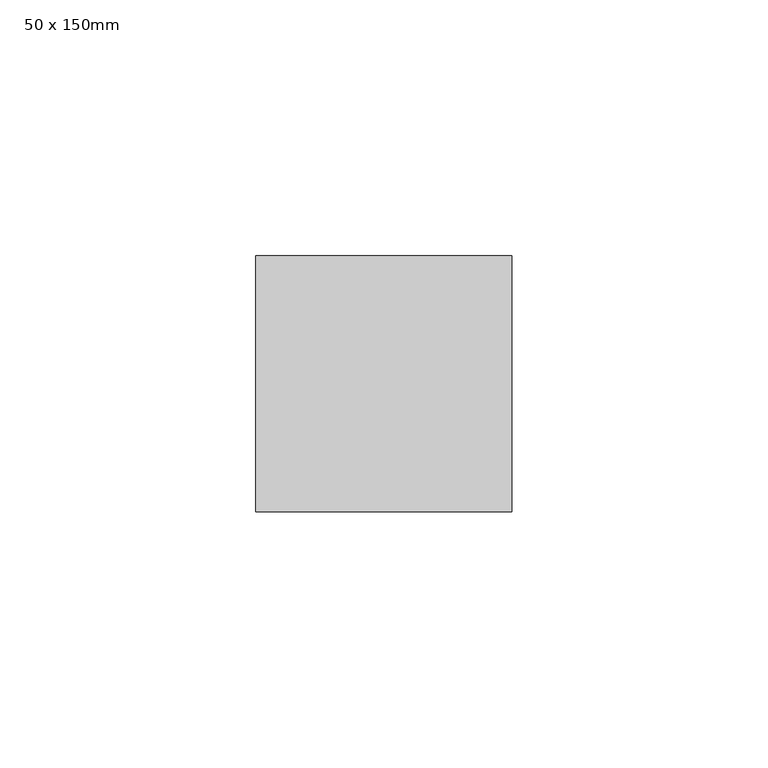
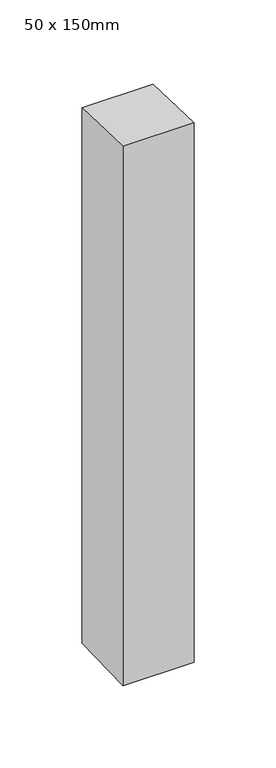
"""IFC4 building model written with IfcOpenShell, lengths in millimetres: member geometry, 50 x 150mm."""

import ifcopenshell
import ifcopenshell.guid

model = None  # the IFC model being written
_history = None  # IfcOwnerHistory: only IFC2X3 demands one
_inside = {}  # id of a spatial element -> (the spatial element, [elements in it])
_under = {}  # id of a project, library or spatial element -> (it, [spatial elements below it])
_declared = {}  # id of a project -> (the project, [libraries it declares])
_typed = {}  # id of a type object -> (the type object, [elements of that type])
_made_of = {}  # id of a material, layer set ... -> (it, [elements and type objects made of it])


def new_model(schema):
    """Start an empty IFC model of exactly this schema.

    Asked for "IFC4X3", IfcOpenShell would pick the latest addendum, in which some entities
    have other attributes; the version numbers below select the first issue.
    IFC2X3 requires an IfcOwnerHistory on every rooted entity: one is made here for all.
    """
    global model, _history
    if schema == "IFC4X3":
        model = ifcopenshell.file(schema_version=(4, 3, 0, 0))
    else:
        model = ifcopenshell.file(schema=schema)
    _inside.clear()
    _under.clear()
    _declared.clear()
    _typed.clear()
    _made_of.clear()
    _history = None
    if model.schema == "IFC2X3":
        org = make("IfcOrganization", Name="unknown")
        user = make(
            "IfcPersonAndOrganization",
            ThePerson=make("IfcPerson", FamilyName="unknown"),
            TheOrganization=org,
        )
        app = make(
            "IfcApplication",
            ApplicationDeveloper=org,
            Version="unknown",
            ApplicationFullName="unknown",
            ApplicationIdentifier="unknown",
        )
        _history = make(
            "IfcOwnerHistory",
            OwningUser=user,
            OwningApplication=app,
            ChangeAction="ADDED",
            CreationDate=0,
        )
    return model


def make(cls, **values):
    """One entity of the class cls with the attributes given. An attribute that is None is left unset."""
    return model.create_entity(
        cls, **{name: value for name, value in values.items() if value is not None}
    )


def rooted(cls, **values):
    """An entity with a GlobalId (a new one), such as an element, a storey or a relation."""
    return make(cls, GlobalId=ifcopenshell.guid.new(), OwnerHistory=_history, **values)


def si_unit(unit_type, name, prefix=None):
    """IfcSIUnit, for example si_unit("LENGTHUNIT", "METRE", prefix="MILLI")."""
    return make("IfcSIUnit", UnitType=unit_type, Prefix=prefix, Name=name)


def assignment(units):
    """IfcUnitAssignment: the units of a project."""
    return None if units is None else make("IfcUnitAssignment", Units=units)


def point(xyz):
    """IfcCartesianPoint."""
    return None if xyz is None else make("IfcCartesianPoint", Coordinates=xyz)


def direction(xyz):
    """IfcDirection."""
    return None if xyz is None else make("IfcDirection", DirectionRatios=xyz)


def frame(location, z_axis=None, x_axis=None):
    """IfcAxis2Placement3D, a coordinate frame: its origin and axes. An axis left out is left unset."""
    return make(
        "IfcAxis2Placement3D",
        Location=point(location),
        Axis=direction(z_axis),
        RefDirection=direction(x_axis),
    )


def origin():
    """The frame at (0, 0, 0) with its axes left unset."""
    return frame((0.0, 0.0, 0.0))


def place(relative_to, where):
    """IfcLocalPlacement: puts the frame where relative to a parent placement (None: the world)."""
    return make(
        "IfcLocalPlacement", PlacementRelTo=relative_to, RelativePlacement=where
    )


def context(
    kind, dimensions, precision=None, world=None, true_north=None, identifier=None
):
    """IfcGeometricRepresentationContext, for example the 3D "Model" context."""
    return make(
        "IfcGeometricRepresentationContext",
        ContextIdentifier=identifier,
        ContextType=kind,
        CoordinateSpaceDimension=dimensions,
        Precision=precision,
        WorldCoordinateSystem=world,
        TrueNorth=true_north,
    )


def project(units=None, contexts=None):
    """IfcProject with its units and contexts."""
    return rooted(
        "IfcProject",
        Name="project",
        RepresentationContexts=contexts,
        UnitsInContext=assignment(units),
    )


def spatial(cls, under=None, at=None, **own):
    """A site, building, storey or space (cls), placed at a placement, below another one or the project."""
    s = rooted(cls, ObjectPlacement=at, **own)
    if under is not None:
        _under.setdefault(under.id(), (under, []))[1].append(s)
    return s


def polyline(points):
    """IfcPolyline through the points."""
    return make("IfcPolyline", Points=[point(p) for p in points])


def outline(outer, holes=None, kind="AREA"):
    """IfcArbitraryClosedProfileDef: a profile drawn as a closed curve; with holes, ...WithVoids."""
    if holes is None:
        return make("IfcArbitraryClosedProfileDef", ProfileType=kind, OuterCurve=outer)
    return make(
        "IfcArbitraryProfileDefWithVoids",
        ProfileType=kind,
        OuterCurve=outer,
        InnerCurves=holes,
    )


def extrude(swept, where, along, depth):
    """IfcExtrudedAreaSolid: the profile swept, set in the frame where, extruded along a direction by depth."""
    return make(
        "IfcExtrudedAreaSolid",
        SweptArea=swept,
        Position=where,
        ExtrudedDirection=direction(along),
        Depth=depth,
    )


def shape(context_of_items, identifier, shape_type, items):
    """IfcShapeRepresentation: the items that make up one representation, for example the "Body"."""
    return make(
        "IfcShapeRepresentation",
        ContextOfItems=context_of_items,
        RepresentationIdentifier=identifier,
        RepresentationType=shape_type,
        Items=items,
    )


def source(mapping_origin, context_of_items, identifier, shape_type, items):
    """IfcRepresentationMap: a shape defined once, which mapped items show again and again."""
    return make(
        "IfcRepresentationMap",
        MappingOrigin=mapping_origin,
        MappedRepresentation=shape(context_of_items, identifier, shape_type, items),
    )


def transform(
    local_origin,
    x_axis=None,
    y_axis=None,
    z_axis=None,
    scale=None,
    scale2=None,
    scale3=None,
    uniform=True,
):
    """IfcCartesianTransformationOperator3D, or its non-uniform kind. x_axis, y_axis, z_axis: its Axis1, 2, 3."""
    if uniform:
        return make(
            "IfcCartesianTransformationOperator3D",
            Axis1=direction(x_axis),
            Axis2=direction(y_axis),
            LocalOrigin=point(local_origin),
            Scale=scale,
            Axis3=direction(z_axis),
        )
    return make(
        "IfcCartesianTransformationOperator3DnonUniform",
        Axis1=direction(x_axis),
        Axis2=direction(y_axis),
        LocalOrigin=point(local_origin),
        Scale=scale,
        Axis3=direction(z_axis),
        Scale2=scale2,
        Scale3=scale3,
    )


def mapped(mapping_source, mapping_target):
    """IfcMappedItem: shows the shape of a source again, moved by a transform."""
    return make(
        "IfcMappedItem", MappingSource=mapping_source, MappingTarget=mapping_target
    )


def made_of(thing, what):
    """Note that an element or type object is made of a material, layer set ...; save() writes the relation."""
    if what is not None:
        _made_of.setdefault(what.id(), (what, []))[1].append(thing)
    return thing


def element(
    cls,
    number,
    at=None,
    inside=None,
    cuts=None,
    type_object=None,
    material=None,
    context=None,
    identifier="Body",
    shape_type=None,
    held_by="IfcProductDefinitionShape",
    body=None,
    shapes=None,
    **own,
):
    """One element of the class cls, such as IfcWall. Its Tag is "e" and its number.

    at: its placement. inside: the storey or other place that contains it. cuts: it is an
    opening in that element (IfcRelVoidsElement). A single representation is given by context,
    identifier, shape_type and body (its items); several are given by shapes. held_by: the class
    of the entity that holds the representations. save() writes the other relations.
    """
    e = rooted(cls, Tag="e%d" % number, ObjectPlacement=at, **own)
    if body is not None:
        shapes = [shape(context, identifier, shape_type, body)]
    if shapes is not None:
        e.Representation = make(held_by, Representations=shapes)
    if inside is not None:
        _inside.setdefault(inside.id(), (inside, []))[1].append(e)
    if cuts is not None:
        rooted(
            "IfcRelVoidsElement", RelatingBuildingElement=cuts, RelatedOpeningElement=e
        )
    if type_object is not None:
        _typed.setdefault(type_object.id(), (type_object, []))[1].append(e)
    return made_of(e, material)


def aggregate(whole, parts):
    """IfcRelAggregates: a whole, such as a stair, and the parts it consists of."""
    return rooted("IfcRelAggregates", RelatingObject=whole, RelatedObjects=parts)


def save(model, path):
    """Write the relations noted so far, then the file.

    IfcRelAggregates (storeys below a building ...), IfcRelContainedInSpatialStructure (elements
    in a storey), IfcRelDefinesByType, IfcRelAssociatesMaterial and IfcRelDeclares: one each for
    every whole, place, type object, material and project.
    """
    for whole, parts in _under.values():
        aggregate(whole, parts)
    for where, things in _inside.values():
        rooted(
            "IfcRelContainedInSpatialStructure",
            RelatedElements=things,
            RelatingStructure=where,
        )
    for kind, things in _typed.values():
        rooted("IfcRelDefinesByType", RelatedObjects=things, RelatingType=kind)
    for what, things in _made_of.values():
        rooted("IfcRelAssociatesMaterial", RelatedObjects=things, RelatingMaterial=what)
    for by, libraries in _declared.values():
        rooted("IfcRelDeclares", RelatingContext=by, RelatedDefinitions=libraries)
    model.write(path)


def member_50_x_150mm_6386fac7(model_context):
    return source(origin(), model_context, "Body", "SweptSolid", [
        extrude(outline(polyline([(-25.0, 0.7858643), (25.0, -0.7858643), (25.0, -399.2141357), (-25.0, -400.7858643), (-25.0, 0.7858643)])), frame((-25.0, 0.0, 0.0), z_axis=(1.0, 0.0, 0.0), x_axis=(0.0, 1.0, 0.0)), (0.0, 0.0, 1.0), 50.0),
    ])


if __name__ == "__main__":
    model = new_model("IFC4")
    model_context = context("Model", 3, world=origin())
    ifc_project = project(units=[si_unit("LENGTHUNIT", "METRE", prefix="MILLI")], contexts=[model_context])
    site = spatial("IfcSite", under=ifc_project)
    building = spatial("IfcBuilding", under=site)
    placement = place(None, origin())
    member_50_x_150mm_shape = member_50_x_150mm_6386fac7(model_context)
    element("IfcMember", 1, ObjectType="50 x 150mm", at=placement, inside=building, context=model_context, shape_type="MappedRepresentation", body=[
        mapped(member_50_x_150mm_shape, transform((0.0, 0.0, 0.0), x_axis=(1.0, 0.0, 0.0), y_axis=(0.0, 1.0, 0.0), z_axis=(0.0, 0.0, 1.0))),
    ])
    save(model, "model.ifc")
